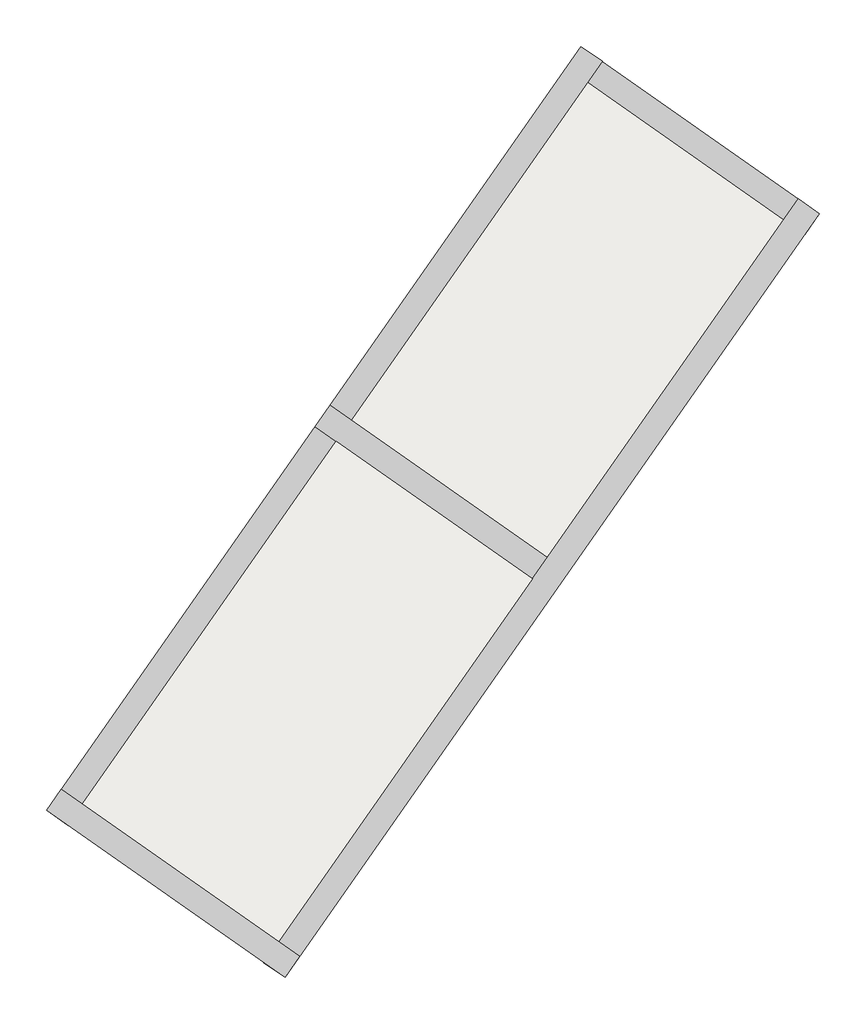
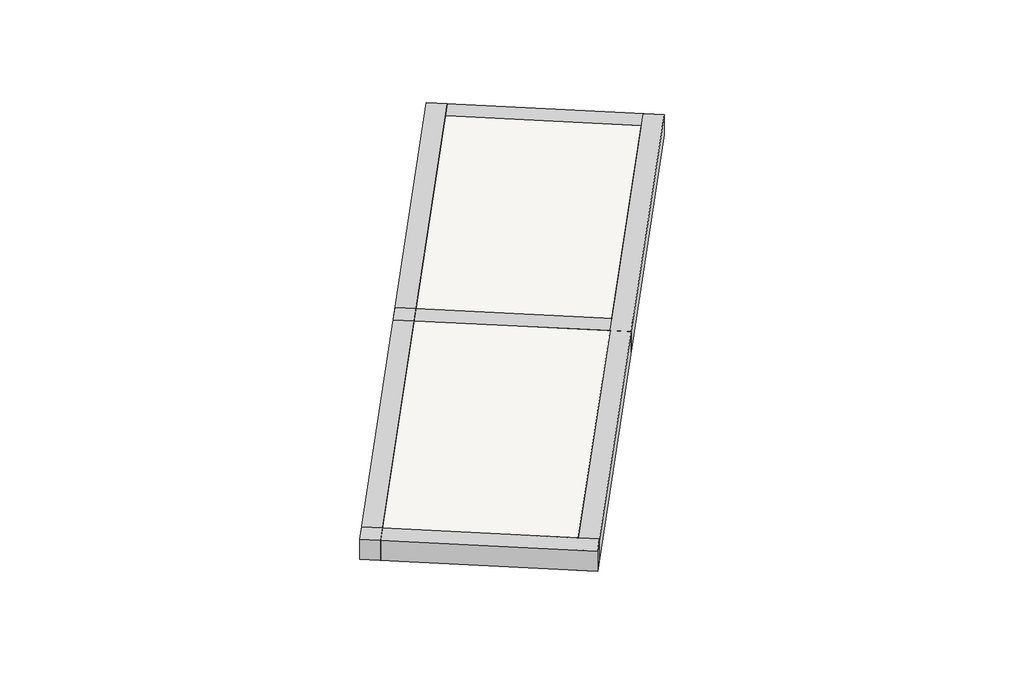
# One storey: 5 beams, 2 footings.
"""IFC4 building model written with IfcOpenShell, lengths in millimetres."""

import ifcopenshell
import ifcopenshell.guid

model = None  # the IFC model being written
_history = None  # IfcOwnerHistory: only IFC2X3 demands one
_inside = {}  # id of a spatial element -> (the spatial element, [elements in it])
_under = {}  # id of a project, library or spatial element -> (it, [spatial elements below it])
_declared = {}  # id of a project -> (the project, [libraries it declares])
_typed = {}  # id of a type object -> (the type object, [elements of that type])
_made_of = {}  # id of a material, layer set ... -> (it, [elements and type objects made of it])


def new_model(schema):
    """Start an empty IFC model of exactly this schema.

    Asked for "IFC4X3", IfcOpenShell would pick the latest addendum, in which some entities
    have other attributes; the version numbers below select the first issue.
    IFC2X3 requires an IfcOwnerHistory on every rooted entity: one is made here for all.
    """
    global model, _history
    if schema == "IFC4X3":
        model = ifcopenshell.file(schema_version=(4, 3, 0, 0))
    else:
        model = ifcopenshell.file(schema=schema)
    _inside.clear()
    _under.clear()
    _declared.clear()
    _typed.clear()
    _made_of.clear()
    _history = None
    if model.schema == "IFC2X3":
        org = make("IfcOrganization", Name="unknown")
        user = make(
            "IfcPersonAndOrganization",
            ThePerson=make("IfcPerson", FamilyName="unknown"),
            TheOrganization=org,
        )
        app = make(
            "IfcApplication",
            ApplicationDeveloper=org,
            Version="unknown",
            ApplicationFullName="unknown",
            ApplicationIdentifier="unknown",
        )
        _history = make(
            "IfcOwnerHistory",
            OwningUser=user,
            OwningApplication=app,
            ChangeAction="ADDED",
            CreationDate=0,
        )
    return model


def make(cls, **values):
    """One entity of the class cls with the attributes given. An attribute that is None is left unset."""
    return model.create_entity(
        cls, **{name: value for name, value in values.items() if value is not None}
    )


def rooted(cls, **values):
    """An entity with a GlobalId (a new one), such as an element, a storey or a relation."""
    return make(cls, GlobalId=ifcopenshell.guid.new(), OwnerHistory=_history, **values)


def si_unit(unit_type, name, prefix=None):
    """IfcSIUnit, for example si_unit("LENGTHUNIT", "METRE", prefix="MILLI")."""
    return make("IfcSIUnit", UnitType=unit_type, Prefix=prefix, Name=name)


def assignment(units):
    """IfcUnitAssignment: the units of a project."""
    return None if units is None else make("IfcUnitAssignment", Units=units)


def point(xyz):
    """IfcCartesianPoint."""
    return None if xyz is None else make("IfcCartesianPoint", Coordinates=xyz)


def direction(xyz):
    """IfcDirection."""
    return None if xyz is None else make("IfcDirection", DirectionRatios=xyz)


def frame(location, z_axis=None, x_axis=None):
    """IfcAxis2Placement3D, a coordinate frame: its origin and axes. An axis left out is left unset."""
    return make(
        "IfcAxis2Placement3D",
        Location=point(location),
        Axis=direction(z_axis),
        RefDirection=direction(x_axis),
    )


def origin():
    """The frame at (0, 0, 0) with its axes left unset."""
    return frame((0.0, 0.0, 0.0))


def place(relative_to, where):
    """IfcLocalPlacement: puts the frame where relative to a parent placement (None: the world)."""
    return make(
        "IfcLocalPlacement", PlacementRelTo=relative_to, RelativePlacement=where
    )


def context(
    kind, dimensions, precision=None, world=None, true_north=None, identifier=None
):
    """IfcGeometricRepresentationContext, for example the 3D "Model" context."""
    return make(
        "IfcGeometricRepresentationContext",
        ContextIdentifier=identifier,
        ContextType=kind,
        CoordinateSpaceDimension=dimensions,
        Precision=precision,
        WorldCoordinateSystem=world,
        TrueNorth=true_north,
    )


def project(units=None, contexts=None):
    """IfcProject with its units and contexts."""
    return rooted(
        "IfcProject",
        Name="project",
        RepresentationContexts=contexts,
        UnitsInContext=assignment(units),
    )


def spatial(cls, under=None, at=None, **own):
    """A site, building, storey or space (cls), placed at a placement, below another one or the project."""
    s = rooted(cls, ObjectPlacement=at, **own)
    if under is not None:
        _under.setdefault(under.id(), (under, []))[1].append(s)
    return s


def polyline(points):
    """IfcPolyline through the points."""
    return make("IfcPolyline", Points=[point(p) for p in points])


def outline(outer, holes=None, kind="AREA"):
    """IfcArbitraryClosedProfileDef: a profile drawn as a closed curve; with holes, ...WithVoids."""
    if holes is None:
        return make("IfcArbitraryClosedProfileDef", ProfileType=kind, OuterCurve=outer)
    return make(
        "IfcArbitraryProfileDefWithVoids",
        ProfileType=kind,
        OuterCurve=outer,
        InnerCurves=holes,
    )


def extrude(swept, where, along, depth):
    """IfcExtrudedAreaSolid: the profile swept, set in the frame where, extruded along a direction by depth."""
    return make(
        "IfcExtrudedAreaSolid",
        SweptArea=swept,
        Position=where,
        ExtrudedDirection=direction(along),
        Depth=depth,
    )


def shape(context_of_items, identifier, shape_type, items):
    """IfcShapeRepresentation: the items that make up one representation, for example the "Body"."""
    return make(
        "IfcShapeRepresentation",
        ContextOfItems=context_of_items,
        RepresentationIdentifier=identifier,
        RepresentationType=shape_type,
        Items=items,
    )


def made_of(thing, what):
    """Note that an element or type object is made of a material, layer set ...; save() writes the relation."""
    if what is not None:
        _made_of.setdefault(what.id(), (what, []))[1].append(thing)
    return thing


def element(
    cls,
    number,
    at=None,
    inside=None,
    cuts=None,
    type_object=None,
    material=None,
    context=None,
    identifier="Body",
    shape_type=None,
    held_by="IfcProductDefinitionShape",
    body=None,
    shapes=None,
    **own,
):
    """One element of the class cls, such as IfcWall. Its Tag is "e" and its number.

    at: its placement. inside: the storey or other place that contains it. cuts: it is an
    opening in that element (IfcRelVoidsElement). A single representation is given by context,
    identifier, shape_type and body (its items); several are given by shapes. held_by: the class
    of the entity that holds the representations. save() writes the other relations.
    """
    e = rooted(cls, Tag="e%d" % number, ObjectPlacement=at, **own)
    if body is not None:
        shapes = [shape(context, identifier, shape_type, body)]
    if shapes is not None:
        e.Representation = make(held_by, Representations=shapes)
    if inside is not None:
        _inside.setdefault(inside.id(), (inside, []))[1].append(e)
    if cuts is not None:
        rooted(
            "IfcRelVoidsElement", RelatingBuildingElement=cuts, RelatedOpeningElement=e
        )
    if type_object is not None:
        _typed.setdefault(type_object.id(), (type_object, []))[1].append(e)
    return made_of(e, material)


def aggregate(whole, parts):
    """IfcRelAggregates: a whole, such as a stair, and the parts it consists of."""
    return rooted("IfcRelAggregates", RelatingObject=whole, RelatedObjects=parts)


def save(model, path):
    """Write the relations noted so far, then the file.

    IfcRelAggregates (storeys below a building ...), IfcRelContainedInSpatialStructure (elements
    in a storey), IfcRelDefinesByType, IfcRelAssociatesMaterial and IfcRelDeclares: one each for
    every whole, place, type object, material and project.
    """
    for whole, parts in _under.values():
        aggregate(whole, parts)
    for where, things in _inside.values():
        rooted(
            "IfcRelContainedInSpatialStructure",
            RelatedElements=things,
            RelatingStructure=where,
        )
    for kind, things in _typed.values():
        rooted("IfcRelDefinesByType", RelatedObjects=things, RelatingType=kind)
    for what, things in _made_of.values():
        rooted("IfcRelAssociatesMaterial", RelatedObjects=things, RelatingMaterial=what)
    for by, libraries in _declared.values():
        rooted("IfcRelDeclares", RelatingContext=by, RelatedDefinitions=libraries)
    model.write(path)


model = new_model("IFC4")

# Units and contexts
model_context = context("Model", 3, world=origin())
ifc_project = project(units=[si_unit("LENGTHUNIT", "METRE", prefix="MILLI")], contexts=[model_context])

# Site, building, storey
site = spatial("IfcSite", under=ifc_project)
building = spatial("IfcBuilding", under=site)
storey = spatial("IfcBuildingStorey", under=building, Elevation=93640.0)

# Beams
placement = place(None, origin())
element("IfcBeam", 1, at=placement, inside=storey, context=model_context, shape_type="SweptSolid", body=[
    extrude(outline(polyline([(4264.3741787, 10930.0067063), (4436.4471096, 11175.7523195), (7208.8250581, 9234.5123811), (7036.7521271, 8988.7667678), (4264.3741787, 10930.0067063)])), frame((0.0, 0.0, 93290.0), z_axis=(0.0, 0.0, 1.0), x_axis=(1.0, 0.0, 0.0)), (0.0, 0.0, 1.0), 350.0),
])
element("IfcBeam", 2, at=placement, inside=storey, context=model_context, shape_type="SweptSolid", body=[
    extrude(outline(polyline([(-1534.919424, 2124.723069), (-1780.6650373, 2296.7959999), (4436.4471096, 11175.7523195), (4682.1927229, 11003.6793886), (-1534.919424, 2124.723069)])), frame((0.0, 0.0, 93290.0), z_axis=(0.0, 0.0, 1.0), x_axis=(1.0, 0.0, 0.0)), (0.0, 0.0, 1.0), 350.0),
])
element("IfcBeam", 3, at=placement, inside=storey, context=model_context, shape_type="SweptSolid", body=[
    extrude(outline(polyline([(-1780.6650373, 2296.7959999), (-1608.5921064, 2542.5416132), (1163.7858421, 601.3016748), (991.7129112, 355.5560615), (-1780.6650373, 2296.7959999)])), frame((0.0, 0.0, 93290.0), z_axis=(0.0, 0.0, 1.0), x_axis=(1.0, 0.0, 0.0)), (0.0, 0.0, 1.0), 350.0),
])
element("IfcBeam", 4, at=placement, inside=storey, context=model_context, shape_type="SweptSolid", body=[
    extrude(outline(polyline([(991.7129112, 355.5560615), (745.9672979, 527.6289924), (6963.0794448, 9406.585312), (7208.8250581, 9234.5123811), (991.7129112, 355.5560615)])), frame((0.0, 0.0, 93290.0), z_axis=(0.0, 0.0, 1.0), x_axis=(1.0, 0.0, 0.0)), (0.0, 0.0, 1.0), 350.0),
])
element("IfcBeam", 5, at=placement, inside=storey, context=model_context, shape_type="SweptSolid", body=[
    extrude(outline(polyline([(1343.1495718, 6758.0656069), (1515.2225027, 7003.8112202), (4287.6004511, 5062.5712818), (4115.5275202, 4816.8256685), (1343.1495718, 6758.0656069)])), frame((0.0, 0.0, 93290.0), z_axis=(0.0, 0.0, 1.0), x_axis=(1.0, 0.0, 0.0)), (0.0, 0.0, 1.0), 350.0),
])

# Footings
element("IfcFooting", 6, ObjectType="DirectShapeType 359", at=placement, inside=storey, context=model_context, shape_type="SweptSolid", body=[
    extrude(outline(polyline([(-1362.8464931, 2370.4686823), (1588.895185, 6585.992676), (3869.7819069, 4988.8985994), (918.0402288, 773.3746057), (-1362.8464931, 2370.4686823)])), frame((0.0, 0.0, 93290.0), z_axis=(0.0, 0.0, 1.0), x_axis=(1.0, 0.0, 0.0)), (0.0, 0.0, 1.0), 350.0),
])
element("IfcFooting", 7, ObjectType="DirectShapeType 359", at=placement, inside=storey, context=model_context, shape_type="SweptSolid", body=[
    extrude(outline(polyline([(4041.8548378, 5234.6442127), (1760.9681159, 6831.7382893), (4510.119792, 10757.9337753), (6791.0065139, 9160.8396987), (4041.8548378, 5234.6442127)])), frame((0.0, 0.0, 93290.0), z_axis=(0.0, 0.0, 1.0), x_axis=(1.0, 0.0, 0.0)), (0.0, 0.0, 1.0), 350.0),
])

save(model, "model.ifc")
